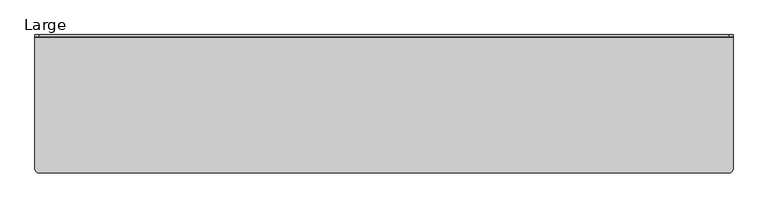
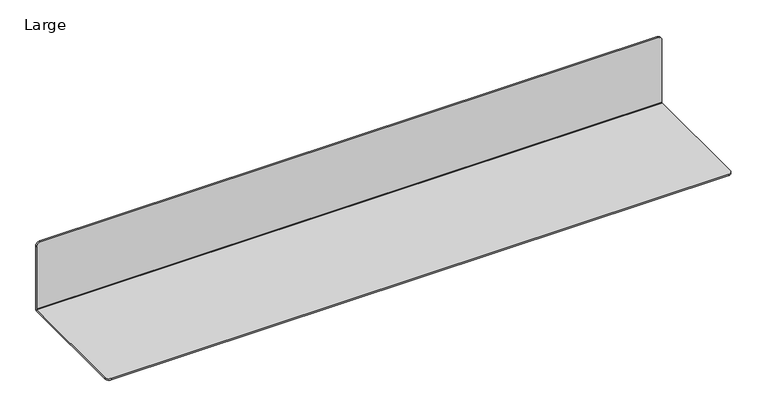
"""IFC4 building model written with IfcOpenShell, lengths in millimetres: furniture geometry, Large."""

from ifc_helpers import new_model, si_unit, frame, origin, place, context, project, spatial, circle_curve, source, transform, mapped, element, save
from ifc_brep_helpers import plane_surface, cylinder_surface, advanced_brep


def large_61a8a8c3(model_context):
    return source(origin(), model_context, "Body", "AdvancedBrep", [
        advanced_brep(
        [(501.65, -2.794, 1259.7118986), (-501.65, -2.794, 1259.7118986), (-508.0, -2.794, 1253.3618986), (-508.0, -2.794, 1147.0700028), (508.0, -2.794, 1147.0700028), (508.0, -2.794, 1253.3618986), (501.65, 0.0, 1259.7118986), (508.0, 0.0, 1253.3618986), (508.0, 0.0, 1147.064), (-508.0, 0.0, 1147.064), (-508.0, 0.0, 1253.3618986), (-501.65, 0.0, 1259.7118986), (-508.0, -4.064, 1143.0), (-508.0, -195.2289477, 1143.0), (-508.0, -195.2289477, 1145.8000028), (-508.0, -4.064, 1145.8000028), (508.0, -4.064, 1145.8000028), (508.0, -195.2289477, 1145.8000028), (508.0, -195.2289477, 1143.0), (508.0, -4.064, 1143.0), (-501.65, -201.5789477, 1145.8000028), (501.65, -201.5789477, 1145.8000028), (501.65, -201.5789477, 1143.0), (-501.65, -201.5789477, 1143.0)],
        [
            (0, 1),
            (1, 2, circle_curve(frame((-501.65, -2.794, 1253.3618986), z_axis=(0.0, -1.0, 0.0), x_axis=(1.0, 0.0, 0.0)), 6.35)),
            (2, 3),
            (3, 4),
            (4, 5),
            (5, 0, circle_curve(frame((501.65, -2.794, 1253.3618986), z_axis=(0.0, -1.0, 0.0), x_axis=(1.0, 0.0, 0.0)), 6.35)),
            (6, 7, circle_curve(frame((501.65, 0.0, 1253.3618986), z_axis=(0.0, 1.0, 0.0), x_axis=(1.0, 0.0, 0.0)), 6.35)),
            (7, 8),
            (8, 9),
            (9, 10),
            (10, 11, circle_curve(frame((-501.65, 0.0, 1253.3618986), z_axis=(0.0, 1.0, 0.0), x_axis=(1.0, 0.0, 0.0)), 6.35)),
            (11, 6),
            (0, 6),
            (11, 1),
            (10, 2),
            (9, 12, circle_curve(frame((-508.0, -4.064, 1147.064), z_axis=(-1.0, 0.0, 0.0), x_axis=(0.0, 1.0, 0.0)), 4.064)),
            (12, 13),
            (13, 14),
            (14, 15),
            (15, 3),
            (7, 5),
            (4, 16),
            (16, 17),
            (17, 18),
            (18, 19),
            (19, 8, circle_curve(frame((508.0, -4.064, 1147.064), z_axis=(1.0, 0.0, 0.0), x_axis=(0.0, 1.0, 0.0)), 4.064)),
            (16, 15),
            (14, 20, circle_curve(frame((-501.65, -195.2289477, 1145.8000028), z_axis=(0.0, 0.0, 1.0), x_axis=(1.0, 0.0, 0.0)), 6.35)),
            (20, 21),
            (21, 17, circle_curve(frame((501.65, -195.2289477, 1145.8000028), z_axis=(0.0, 0.0, 1.0), x_axis=(1.0, 0.0, 0.0)), 6.35)),
            (18, 22, circle_curve(frame((501.65, -195.2289477, 1143.0), z_axis=(0.0, 0.0, -1.0), x_axis=(1.0, 0.0, 0.0)), 6.35)),
            (22, 23),
            (23, 13, circle_curve(frame((-501.65, -195.2289477, 1143.0), z_axis=(0.0, 0.0, -1.0), x_axis=(1.0, 0.0, 0.0)), 6.35)),
            (12, 19),
            (23, 20),
            (22, 21),
        ],
        [
            plane_surface(frame((-501.65, -2.794, 1259.7118986), z_axis=(0.0, -1.0, 0.0), x_axis=(-1.0, 0.0, 0.0))),
            plane_surface(frame((-501.65, 0.0, 1259.7118986), z_axis=(0.0, 1.0, 0.0), x_axis=(1.0, 0.0, 0.0))),
            plane_surface(frame((501.65, -2.794, 1259.7118986), z_axis=(0.0, 0.0, 1.0), x_axis=(0.0, 1.0, 0.0))),
            cylinder_surface(frame((-501.65, 0.0, 1253.3618986), z_axis=(0.0, -1.0, 0.0), x_axis=(1.0, 0.0, 0.0)), 6.35),
            plane_surface(frame((-508.0, -2.794, 1253.3618986), z_axis=(-1.0, 0.0, 0.0), x_axis=(0.0, 1.0, 0.0))),
            plane_surface(frame((508.0, -2.794, 1155.7), z_axis=(1.0, 0.0, 0.0), x_axis=(0.0, 1.0, 0.0))),
            cylinder_surface(frame((501.65, 0.0, 1253.3618986), z_axis=(0.0, -1.0, 0.0), x_axis=(1.0, 0.0, 0.0)), 6.35),
            plane_surface(frame((508.0, -4.064, 1145.8000028), z_axis=(0.0, 0.0, 1.0), x_axis=(-1.0, 0.0, 0.0))),
            plane_surface(frame((508.0, -12.7, 1143.0), z_axis=(0.0, 0.0, -1.0), x_axis=(-1.0, 0.0, 0.0))),
            cylinder_surface(frame((-508.0, -4.064, 1147.064), z_axis=(1.0, 0.0, 0.0), x_axis=(0.0, 1.0, 0.0)), 4.064),
            cylinder_surface(frame((-501.65, -195.2289477, 1143.0), z_axis=(0.0, 0.0, 1.0), x_axis=(1.0, 0.0, 0.0)), 6.35),
            plane_surface(frame((-501.65, -201.5789477, 1145.8000028), z_axis=(0.0, -1.0, 0.0), x_axis=(0.0, 0.0, -1.0))),
            cylinder_surface(frame((501.65, -195.2289477, 1143.0), z_axis=(0.0, 0.0, 1.0), x_axis=(1.0, 0.0, 0.0)), 6.35),
            plane_surface(frame((508.0, -2.794, 1147.0700028), z_axis=(0.0, -0.7071067812043689, 0.7071067811687262), x_axis=(-1.0, 0.0, 0.0))),
        ],
        [
            (0, [[1, 2, 3, 4, 5, 6]]),
            (1, [[7, 8, 9, 10, 11, 12]]),
            (2, [[-1, 13, -12, 14]]),
            (3, [[-2, -14, -11, 15]]),
            (4, [[-15, -10, 16, 17, 18, 19, 20, -3]]),
            (5, [[21, -5, 22, 23, 24, 25, 26, -8]]),
            (6, [[-6, -21, -7, -13]]),
            (7, [[-23, 27, -19, 28, 29, 30]]),
            (8, [[-25, 31, 32, 33, -17, 34]]),
            (9, [[-26, -34, -16, -9]]),
            (10, [[-28, -18, -33, 35]]),
            (11, [[-29, -35, -32, 36]]),
            (12, [[-30, -36, -31, -24]]),
            (13, [[-22, -4, -20, -27]]),
        ],
    ),
    ])


if __name__ == "__main__":
    model = new_model("IFC4")
    model_context = context("Model", 3, world=origin())
    ifc_project = project(units=[si_unit("LENGTHUNIT", "METRE", prefix="MILLI")], contexts=[model_context])
    site = spatial("IfcSite", under=ifc_project)
    building = spatial("IfcBuilding", under=site)
    placement = place(None, origin())
    large_shape = large_61a8a8c3(model_context)
    element("IfcFurniture", 1, ObjectType="Large", at=placement, inside=building, context=model_context, shape_type="MappedRepresentation", body=[
        mapped(large_shape, transform((0.0, 0.0, 0.0), x_axis=(1.0, 0.0, 0.0), y_axis=(0.0, 1.0, 0.0), z_axis=(0.0, 0.0, 1.0))),
    ])
    save(model, "model.ifc")
